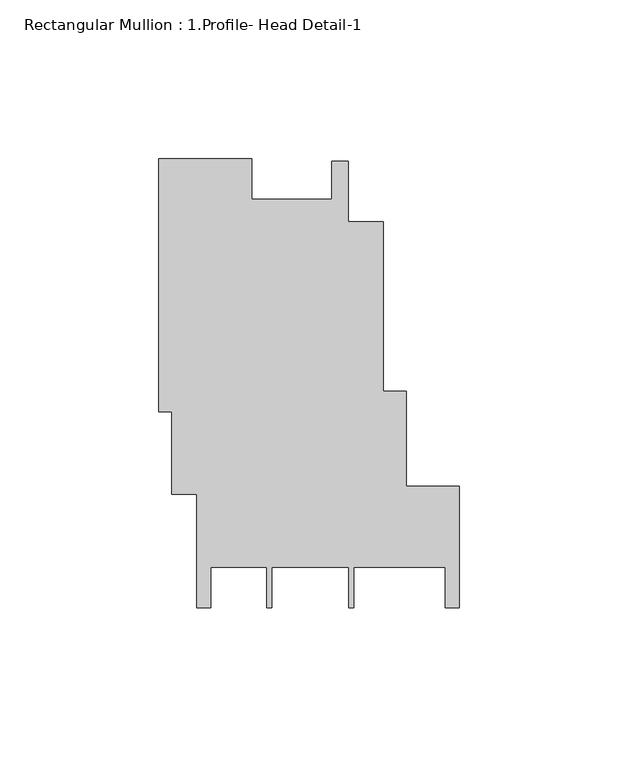
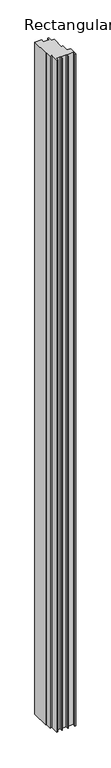
"""IFC4 building model written with IfcOpenShell, lengths in millimetres: member geometry, Rectangular Mullion : 1.Profile- Head Detail-1."""

from ifc_helpers import new_model, si_unit, frame, origin, place, context, project, spatial, polyline, outline, extrude, source, transform, mapped, element, save


def rectangular_mullion_1_profile_head_detail_1_a066a4b4(model_context):
    return source(origin(), model_context, "Body", "SweptSolid", [
        extrude(outline(polyline([(-65.2668267, 47.3549222), (-40.1134288, 47.3549222), (-40.1134288, 59.2360283), (-34.9062175, 59.2360283), (-34.9062175, 40.1468117), (-23.8821699, 40.1468117), (-23.8821699, -13.2025594), (-16.6357373, -13.2025594), (-16.6357373, -43.1360947), (0.0, -43.1360947), (0.0, -81.2406895), (-4.3181753, -81.2406895), (-4.3181753, -68.5401739), (-33.1580108, -68.5401739), (-33.1580108, -81.2406895), (-34.7455752, -81.2406895), (-34.7455752, -68.5752858), (-58.9512517, -68.5752858), (-58.9512517, -81.2406895), (-60.5388161, -81.2406895), (-60.5388161, -68.5401739), (-78.2350946, -68.5401739), (-78.2350946, -81.2406895), (-82.5532698, -81.2406895), (-82.5532698, -45.5465747), (-90.559934, -45.5465747), (-90.559934, -19.6691965), (-94.5790249, -19.6691965), (-94.5790249, 60.0421227), (-65.2668267, 60.0421227), (-65.2668267, 47.3549222)])), frame((0.0, 0.0, -3048.0), z_axis=(0.0, 0.0, 1.0), x_axis=(1.0, 0.0, 0.0)), (0.0, 0.0, 1.0), 3048.0),
    ])


if __name__ == "__main__":
    model = new_model("IFC4")
    model_context = context("Model", 3, world=origin())
    ifc_project = project(units=[si_unit("LENGTHUNIT", "METRE", prefix="MILLI")], contexts=[model_context])
    site = spatial("IfcSite", under=ifc_project)
    building = spatial("IfcBuilding", under=site)
    placement = place(None, origin())
    rectangular_mullion_1_profile_head_detail_1_shape = rectangular_mullion_1_profile_head_detail_1_a066a4b4(model_context)
    element("IfcMember", 1, ObjectType="Rectangular Mullion : 1.Profile- Head Detail-1", at=placement, inside=building, context=model_context, shape_type="MappedRepresentation", body=[
        mapped(rectangular_mullion_1_profile_head_detail_1_shape, transform((0.0, 0.0, 0.0), x_axis=(1.0, 0.0, 0.0), y_axis=(0.0, 1.0, 0.0), z_axis=(0.0, 0.0, 1.0))),
    ])
    save(model, "model.ifc")
